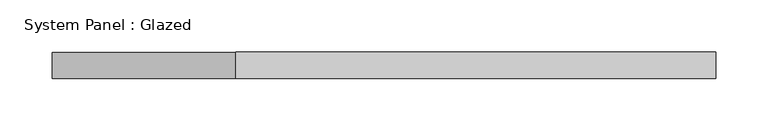
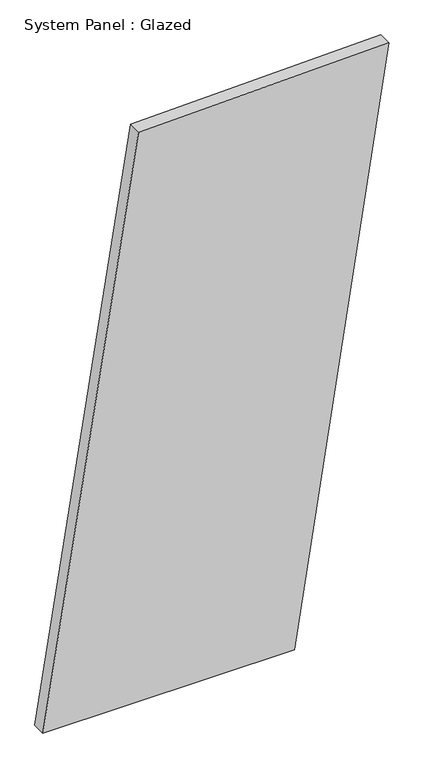
"""IFC4 building model written with IfcOpenShell, lengths in millimetres: plate geometry, System Panel : Glazed."""

from ifc_helpers import new_model, si_unit, frame, origin, place, context, project, spatial, polyline, outline, extrude, source, transform, mapped, element, save


def system_panel_glazed_71039879(model_context):
    return source(origin(), model_context, "Body", "SweptSolid", [
        extrude(outline(polyline([(0.0, -316.0883421), (0.0, 143.7470219), (1110.5956778, 316.0883421), (1098.5349175, -141.376055), (0.0, -316.0883421)])), frame((0.0, -49.5, 0.0), z_axis=(0.0, 1.0, 0.0), x_axis=(0.0, 0.0, 1.0)), (0.0, 0.0, 1.0), 25.0),
    ])


if __name__ == "__main__":
    model = new_model("IFC4")
    model_context = context("Model", 3, world=origin())
    ifc_project = project(units=[si_unit("LENGTHUNIT", "METRE", prefix="MILLI")], contexts=[model_context])
    site = spatial("IfcSite", under=ifc_project)
    building = spatial("IfcBuilding", under=site)
    placement = place(None, origin())
    system_panel_glazed_shape = system_panel_glazed_71039879(model_context)
    element("IfcPlate", 1, ObjectType="System Panel : Glazed", at=placement, inside=building, context=model_context, shape_type="MappedRepresentation", body=[
        mapped(system_panel_glazed_shape, transform((0.0, 0.0, 0.0), x_axis=(1.0, 0.0, 0.0), y_axis=(0.0, 1.0, 0.0), z_axis=(0.0, 0.0, 1.0))),
    ])
    save(model, "model.ifc")
